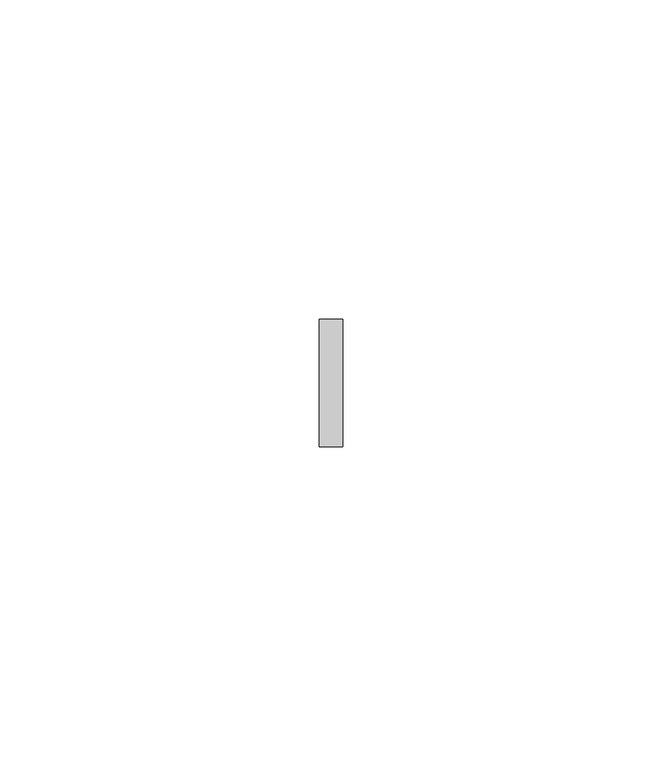
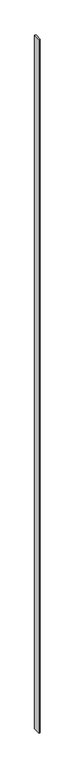
"""IFC4 building model written with IfcOpenShell, lengths in millimetres: plate geometry."""

from ifc_helpers import new_model, si_unit, origin, origin_with_axes, place, context, project, spatial, polyline, outline, extrude, source, transform, mapped, element, save


def plate_e90bc18b(model_context):
    return source(origin(), model_context, "Body", "SweptSolid", [
        extrude(outline(polyline([(1.8591202, 20.0), (-1.8591202, 20.0), (-1.8591202, 40.0), (1.8591202, 40.0), (1.8591202, 20.0)])), origin_with_axes(), (0.0, 0.0, 1.0), 2025.0),
    ])


if __name__ == "__main__":
    model = new_model("IFC4")
    model_context = context("Model", 3, world=origin())
    ifc_project = project(units=[si_unit("LENGTHUNIT", "METRE", prefix="MILLI")], contexts=[model_context])
    site = spatial("IfcSite", under=ifc_project)
    building = spatial("IfcBuilding", under=site)
    placement = place(None, origin())
    plate_shape = plate_e90bc18b(model_context)
    element("IfcPlate", 1, at=placement, inside=building, context=model_context, shape_type="MappedRepresentation", body=[
        mapped(plate_shape, transform((0.0, 0.0, 0.0), x_axis=(1.0, 0.0, 0.0), y_axis=(0.0, 1.0, 0.0), z_axis=(0.0, 0.0, 1.0))),
    ])
    save(model, "model.ifc")
